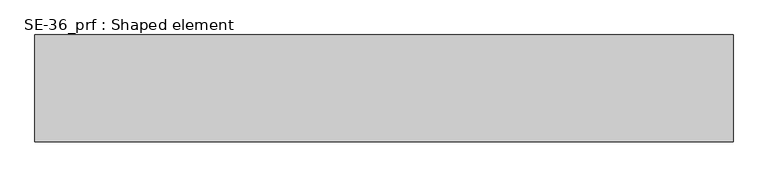
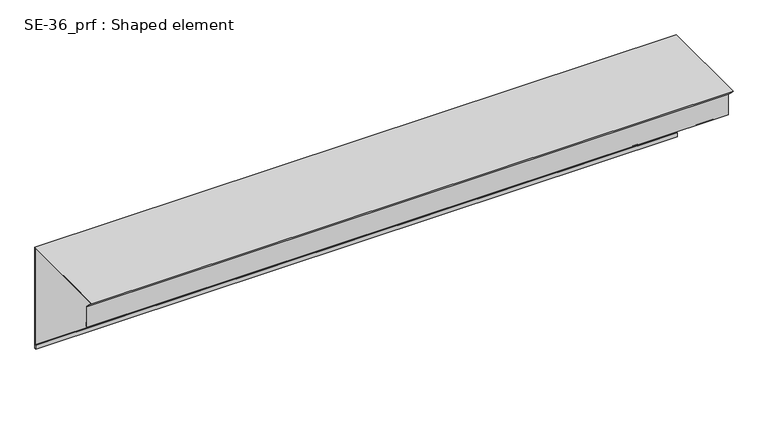
"""IFC4 building model written with IfcOpenShell, lengths in millimetres: proxy geometry, SE-36_prf : Shaped element."""

from ifc_helpers import new_model, si_unit, origin, place, context, project, spatial, faceted_brep, source, transform, mapped, element, save


def se_36_prf_shaped_element_161fcd19(model_context):
    return source(origin(), model_context, "Body", "Brep", [
        faceted_brep([(0.0, 202.0, -242.0), (0.0, 205.0, -242.0), (1500.0, 205.0, -242.0), (1500.0, 202.0, -242.0), (0.0, 202.0, -232.0), (1500.0, 202.0, -232.0), (0.0, 203.0, -232.0), (1500.0, 203.0, -232.0), (0.0, 203.0, -241.0), (1500.0, 203.0, -241.0), (0.0, 204.0, -241.0), (1500.0, 204.0, -241.0), (0.0, 204.0, 0.0), (1500.0, 204.0, 0.0), (1500.0, 204.0, 7.0), (0.0, 204.0, 7.0), (0.0, -22.3847763, 7.0), (1500.0, -22.3847763, 7.0), (0.0, -4.0, -11.3847763), (0.0, -15.3847763, 0.0), (1500.0, -15.3847763, 0.0), (1500.0, -4.0, -11.3847763), (0.0, -4.0, -60.7989899), (1500.0, -4.0, -60.7989899), (0.0, -3.0, -60.7989899), (1500.0, -3.0, -60.7989899), (0.0, -3.0, -51.7989899), (1500.0, -3.0, -51.7989899), (0.0, -2.0, -51.7989899), (1500.0, -2.0, -51.7989899), (0.0, -2.0, -61.7989899), (1500.0, -2.0, -61.7989899), (0.0, -5.0, -61.7989899), (1500.0, -5.0, -61.7989899), (0.0, -5.0, -11.7989899), (1500.0, -5.0, -11.7989899), (0.0, -16.7989899, 0.0), (1500.0, -16.7989899, 0.0), (1500.0, -24.7989899, 8.0), (0.0, -24.7989899, 8.0), (0.0, 205.0, 8.0), (1500.0, 205.0, 8.0), (0.0, 205.0, 0.0), (1500.0, 205.0, 0.0)], [[[0, 1, 2, 3]], [[4, 0, 3, 5]], [[6, 4, 5, 7]], [[8, 6, 7, 9]], [[10, 8, 9, 11]], [[12, 10, 11, 13, 14, 15]], [[16, 15, 14, 17]], [[18, 19, 16, 17, 20, 21]], [[22, 18, 21, 23]], [[24, 22, 23, 25]], [[26, 24, 25, 27]], [[28, 26, 27, 29]], [[30, 28, 29, 31]], [[32, 30, 31, 33]], [[34, 32, 33, 35]], [[36, 34, 35, 37, 38, 39]], [[40, 39, 38, 41]], [[1, 42, 40, 41, 43, 2]], [[36, 19, 18, 22, 24, 26, 28, 30, 32, 34]], [[12, 42, 1, 0, 4, 6, 8, 10]], [[19, 36, 39, 40, 42, 12, 15, 16]], [[20, 37, 35, 33, 31, 29, 27, 25, 23, 21]], [[43, 13, 11, 9, 7, 5, 3, 2]], [[37, 20, 17, 14, 13, 43, 41, 38]]]),
    ])


if __name__ == "__main__":
    model = new_model("IFC4")
    model_context = context("Model", 3, world=origin())
    ifc_project = project(units=[si_unit("LENGTHUNIT", "METRE", prefix="MILLI")], contexts=[model_context])
    site = spatial("IfcSite", under=ifc_project)
    building = spatial("IfcBuilding", under=site)
    placement = place(None, origin())
    se_36_prf_shaped_element_shape = se_36_prf_shaped_element_161fcd19(model_context)
    element("IfcBuildingElementProxy", 1, Name="SE-36_prf : Shaped element", ObjectType="SE-36_prf : Shaped element", at=placement, inside=building, context=model_context, shape_type="MappedRepresentation", body=[
        mapped(se_36_prf_shaped_element_shape, transform((0.0, 0.0, 0.0), x_axis=(1.0, 0.0, 0.0), y_axis=(0.0, 1.0, 0.0), z_axis=(0.0, 0.0, 1.0))),
    ])
    save(model, "model.ifc")
